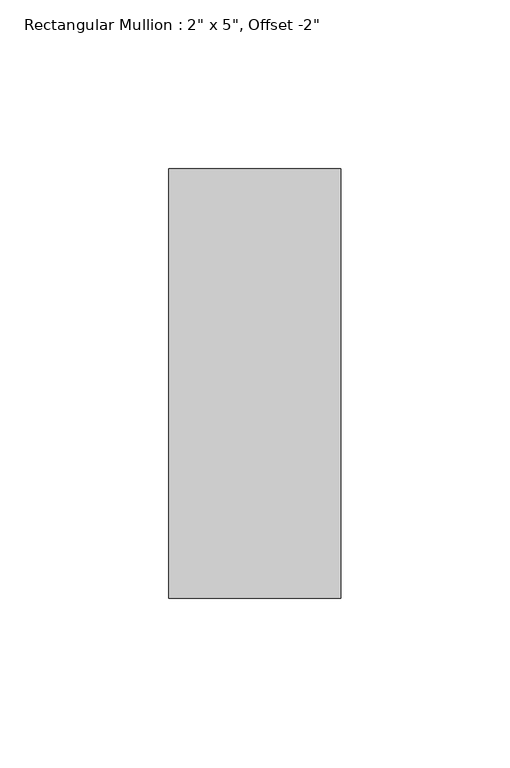
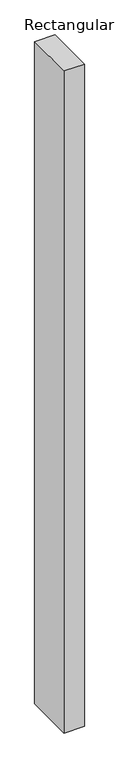
"""IFC4 building model written with IfcOpenShell, lengths in millimetres: member geometry."""

from ifc_helpers import new_model, si_unit, frame, origin, place, context, project, spatial, polyline, outline, extrude, source, transform, mapped, element, save


def member_1ce06849(model_context):
    return source(origin(), model_context, "Body", "SweptSolid", [
        extrude(outline(polyline([(0.0, 114.3), (0.0, -12.7), (-50.8, -12.7), (-50.8, 114.3), (0.0, 114.3)])), frame((0.0, 0.0, -1750.7334481), z_axis=(0.0, 0.0, 1.0), x_axis=(1.0, 0.0, 0.0)), (0.0, 0.0, 1.0), 1750.7334481),
    ])


if __name__ == "__main__":
    model = new_model("IFC4")
    model_context = context("Model", 3, world=origin())
    ifc_project = project(units=[si_unit("LENGTHUNIT", "METRE", prefix="MILLI")], contexts=[model_context])
    site = spatial("IfcSite", under=ifc_project)
    building = spatial("IfcBuilding", under=site)
    placement = place(None, origin())
    member_shape = member_1ce06849(model_context)
    element("IfcMember", 1, ObjectType="Rectangular Mullion : 2\" x 5\", Offset -2\"", at=placement, inside=building, context=model_context, shape_type="MappedRepresentation", body=[
        mapped(member_shape, transform((0.0, 0.0, 0.0), x_axis=(1.0, 0.0, 0.0), y_axis=(0.0, 1.0, 0.0), z_axis=(0.0, 0.0, 1.0))),
    ])
    save(model, "model.ifc")
